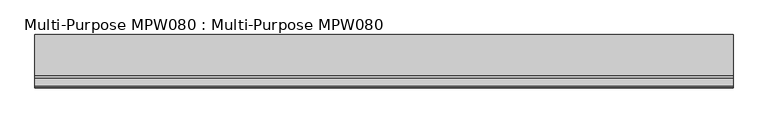
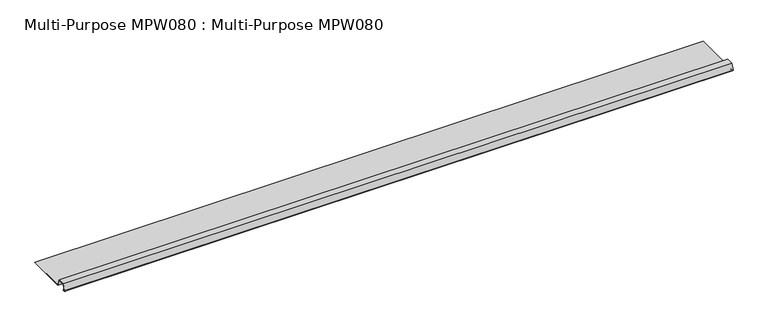
"""IFC4 building model written with IfcOpenShell, lengths in millimetres: proxy geometry, Multi-Purpose MPW080 : Multi-Purpose MPW080."""

from ifc_helpers import new_model, si_unit, point, frame, frame_2d, origin, place, context, project, spatial, polyline, circle_curve, trimmed, segment, composite_curve, outline, extrude, source, transform, mapped, element, save


def multi_purpose_mpw080_multi_purpose_mpw080_8d736aec(model_context):
    return source(origin(), model_context, "Body", "SweptSolid", [
        extrude(outline(composite_curve([segment(polyline([(-186.4344952, 75.082715), (-186.9688098, 74.4702186), (-187.8499143, 75.2388551)]), True, "CONTINUOUS"), segment(trimmed(circle_curve(frame_2d((-189.1481318, 73.7506804)), 1.97485), [point((-187.8499143, 75.2388551))], [point((-190.2378869, 75.3976371))], True, "CARTESIAN"), True, "CONTINUOUS"), segment(polyline([(-190.2378869, 75.3976371), (-193.0411183, 73.5428002)]), True, "CONTINUOUS"), segment(trimmed(circle_curve(frame_2d((-194.3551318, 75.5286804)), 2.38125), [point((-193.0411183, 73.5428002))], [point((-196.5927748, 76.3431159))], False, "CARTESIAN"), True, "CONTINUOUS"), segment(polyline([(-196.5927748, 76.3431159), (-186.4956893, 104.0846304), (-154.7456893, 104.0846304), (-143.4854693, 73.1474304), (36.9436182, 73.1474304), (36.9436182, 72.3346304), (-144.054598, 72.3346304), (-155.314818, 103.2718304), (-185.9265606, 103.2718304), (-195.8289927, 76.0651219)]), True, "CONTINUOUS"), segment(trimmed(circle_curve(frame_2d((-194.3551318, 75.5286804)), 1.56845), [point((-195.8289927, 76.0651219))], [point((-193.4896349, 74.2206473))], True, "CARTESIAN"), True, "CONTINUOUS"), segment(polyline([(-193.4896349, 74.2206473), (-190.6864035, 76.0754842)]), True, "CONTINUOUS"), segment(trimmed(circle_curve(frame_2d((-189.1481318, 73.7506804)), 2.78765), [point((-190.6864035, 76.0754842))], [point((-187.3155997, 75.8513514))], False, "CARTESIAN"), True, "CONTINUOUS"), segment(polyline([(-187.3155997, 75.8513514), (-186.4344952, 75.082715)]), True, "CONTINUOUS")], self_intersect=False)), frame((-1102.2989423, 0.0, 0.0), z_axis=(1.0, 0.0, 0.0), x_axis=(0.0, 1.0, 0.0)), (0.0, 0.0, 1.0), 3048.0),
    ])


if __name__ == "__main__":
    model = new_model("IFC4")
    model_context = context("Model", 3, world=origin())
    ifc_project = project(units=[si_unit("LENGTHUNIT", "METRE", prefix="MILLI")], contexts=[model_context])
    site = spatial("IfcSite", under=ifc_project)
    building = spatial("IfcBuilding", under=site)
    placement = place(None, origin())
    multi_purpose_mpw080_multi_purpose_mpw080_shape = multi_purpose_mpw080_multi_purpose_mpw080_8d736aec(model_context)
    element("IfcBuildingElementProxy", 1, Name="Multi-Purpose MPW080 : Multi-Purpose MPW080", ObjectType="Multi-Purpose MPW080 : Multi-Purpose MPW080", at=placement, inside=building, context=model_context, shape_type="MappedRepresentation", body=[
        mapped(multi_purpose_mpw080_multi_purpose_mpw080_shape, transform((0.0, 0.0, 0.0), x_axis=(1.0, 0.0, 0.0), y_axis=(0.0, 1.0, 0.0), z_axis=(0.0, 0.0, 1.0))),
    ])
    save(model, "model.ifc")
